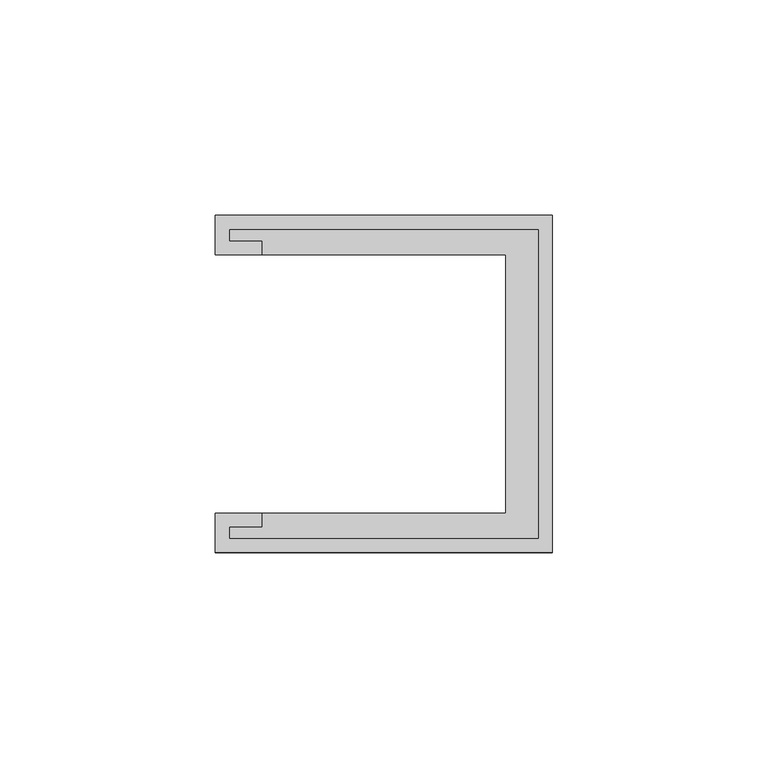
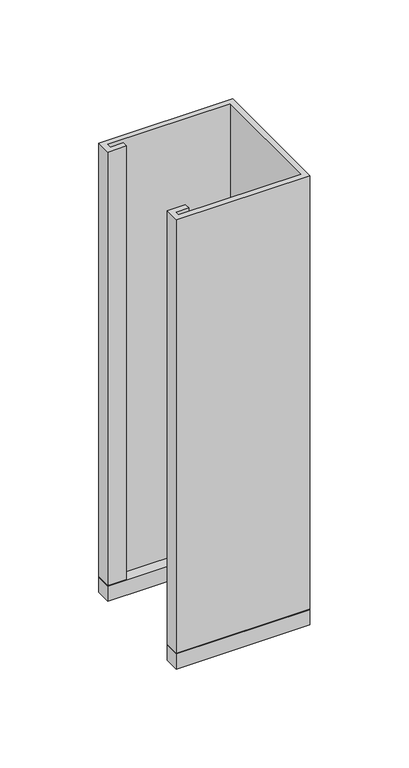
"""IFC4 building model written with IfcOpenShell, lengths in millimetres: furniture geometry."""

from ifc_helpers import new_model, si_unit, frame, origin, place, context, project, spatial, polyline, outline, extrude, source, transform, mapped, element, save


def furniture_431a4402(model_context):
    return source(origin(), model_context, "Body", "SweptSolid", [
        extrude(outline(polyline([(-39.0921875, 39.0921875), (39.0921875, 39.0921875), (39.0921875, -39.0921875), (-39.0921875, -39.0921875), (-39.0921875, -29.9735875), (28.2971875, -29.9735875), (28.2971875, 29.9735875), (-39.0921875, 29.9735875), (-39.0921875, 39.0921875)])), frame((0.0, 0.0, 1152.525), z_axis=(0.0, 0.0, 1.0), x_axis=(1.0, 0.0, 0.0)), (0.0, 0.0, 1.0), 9.525),
        extrude(outline(polyline([(-28.2971875, 29.9735875), (-39.0921875, 29.9735875), (-39.0921875, 39.0921875), (39.0921875, 39.0921875), (39.0921875, -39.0921875), (-39.0921875, -39.0921875), (-39.0921875, -29.9735875), (-28.2971875, -29.9735875), (-28.2971875, -33.1485875), (-35.9171875, -33.1485875), (-35.9171875, -35.9171875), (35.9171875, -35.9171875), (35.9171875, 35.9171875), (-35.9171875, 35.9171875), (-35.9171875, 33.1485875), (-28.2971875, 33.1485875), (-28.2971875, 29.9735875)])), frame((0.0, 0.0, 1162.05), z_axis=(0.0, 0.0, 1.0), x_axis=(1.0, 0.0, 0.0)), (0.0, 0.0, 1.0), 268.1882813),
    ])


if __name__ == "__main__":
    model = new_model("IFC4")
    model_context = context("Model", 3, world=origin())
    ifc_project = project(units=[si_unit("LENGTHUNIT", "METRE", prefix="MILLI")], contexts=[model_context])
    site = spatial("IfcSite", under=ifc_project)
    building = spatial("IfcBuilding", under=site)
    placement = place(None, origin())
    furniture_shape = furniture_431a4402(model_context)
    element("IfcFurniture", 1, at=placement, inside=building, context=model_context, shape_type="MappedRepresentation", body=[
        mapped(furniture_shape, transform((0.0, 0.0, 0.0), x_axis=(1.0, 0.0, 0.0), y_axis=(0.0, 1.0, 0.0), z_axis=(0.0, 0.0, 1.0))),
    ])
    save(model, "model.ifc")
